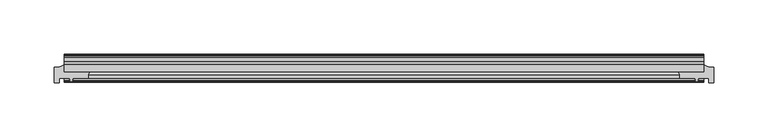
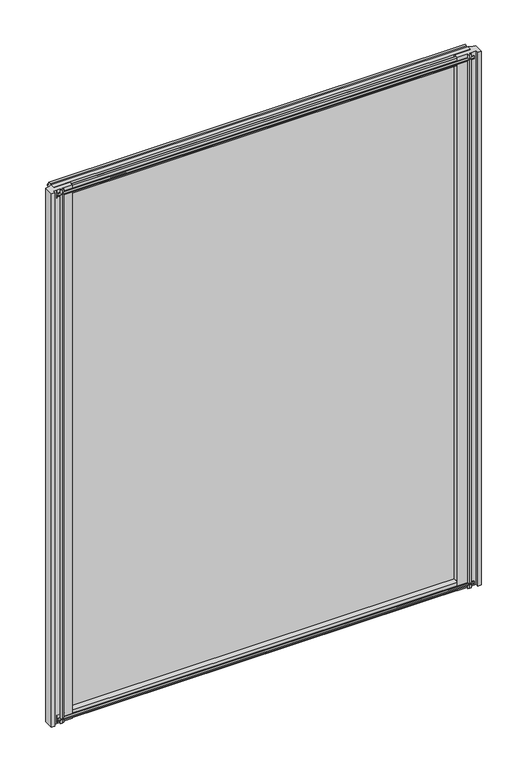
"""IFC4 building model written with IfcOpenShell, lengths in millimetres: plate geometry."""

from ifc_helpers import new_model, si_unit, point, frame, frame_2d, origin, place, context, project, spatial, polyline, circle_curve, trimmed, segment, composite_curve, outline, extrude, source, transform, mapped, element, save


def plate_5a63b6f4(model_context):
    return source(origin(), model_context, "Body", "SweptSolid", [
        extrude(outline(polyline([(-295.275, -19.5460937), (295.275, -19.5460937), (295.275, -25.8960937), (-295.275, -25.8960937), (-295.275, -19.5460937)])), frame((0.0, 0.0, -12.7), z_axis=(0.0, 0.0, 1.0), x_axis=(1.0, 0.0, 0.0)), (0.0, 0.0, 1.0), 800.1),
        extrude(outline(composite_curve([segment(polyline([(304.8, -22.0782211), (304.8, -36.1501817), (300.0248, -36.1501817), (300.0248, -32.2460937), (290.1992854, -32.2460937), (289.8817854, -34.3506957), (291.1003913, -34.0241712), (291.3041854, -34.7847412), (288.9292854, -35.4210937), (286.5543854, -34.7847412), (286.7581795, -34.0241712), (287.9767854, -34.3506957), (287.6592854, -32.2460937), (273.0508541, -32.2460937)]), True, "CONTINUOUS"), segment(trimmed(circle_curve(frame_2d((264.2454241, -30.493422)), 8.9781654), [point((273.0508541, -32.2460937))], [point((271.9572351, -25.8960937))], True, "CARTESIAN"), True, "CONTINUOUS"), segment(polyline([(271.9572351, -25.8960937), (295.2792854, -25.8960937), (295.2792854, -19.5460937)]), True, "CONTINUOUS"), segment(trimmed(circle_curve(frame_2d((304.8, -2.913372)), 19.164849), [point((295.2792854, -19.5460937))], [point((304.8, -22.0782211))], True, "CARTESIAN"), True, "CONTINUOUS")], self_intersect=False)), frame((0.0, 0.0, -12.7), z_axis=(0.0, 0.0, 1.0), x_axis=(1.0, 0.0, 0.0)), (0.0, 0.0, 1.0), 800.1),
        extrude(outline(composite_curve([segment(trimmed(circle_curve(frame_2d((-304.8, -2.913372)), 19.164849), [point((-304.8, -22.0782211))], [point((-295.2792854, -19.5460937))], True, "CARTESIAN"), True, "CONTINUOUS"), segment(polyline([(-295.2792854, -19.5460937), (-295.2792854, -25.8960937), (-271.9572351, -25.8960937)]), True, "CONTINUOUS"), segment(trimmed(circle_curve(frame_2d((-264.2454241, -30.493422)), 8.9781654), [point((-271.9572351, -25.8960937))], [point((-273.0508541, -32.2460937))], True, "CARTESIAN"), True, "CONTINUOUS"), segment(polyline([(-273.0508541, -32.2460937), (-287.6592854, -32.2460937), (-287.9767854, -34.3506957), (-286.7581795, -34.0241712), (-286.5543854, -34.7847412), (-288.9292854, -35.4210937), (-291.3041854, -34.7847412), (-291.1003913, -34.0241712), (-289.8817854, -34.3506957), (-290.1992854, -32.2460937), (-300.0248, -32.2460937), (-300.0248, -36.1501817), (-304.8, -36.1501817), (-304.8, -22.0782211)]), True, "CONTINUOUS")], self_intersect=False)), frame((0.0, 0.0, -12.7), z_axis=(0.0, 0.0, 1.0), x_axis=(1.0, 0.0, 0.0)), (0.0, 0.0, 1.0), 800.1),
        extrude(outline(polyline([(-13.1960937, 787.1587), (-13.1960937, 782.7137), (-10.8158968, 782.3327), (-11.27583, 783.748229), (-10.4746158, 783.748229), (-9.7670937, 781.5707), (-10.4746158, 779.3931709), (-11.27583, 779.3931709), (-10.8158968, 780.8087), (-13.1960937, 780.4277), (-13.1960937, 775.2207), (-19.5460937, 773.1154229), (-19.5460937, 784.9460038), (-16.1424937, 787.1587), (-13.1960937, 787.1587)])), frame((-295.275, 0.0, 0.0), z_axis=(1.0, 0.0, 0.0), x_axis=(0.0, 1.0, 0.0)), (0.0, 0.0, 1.0), 590.55),
        extrude(outline(polyline([(-29.2996937, 786.638), (-25.8960937, 784.4253038), (-25.8960937, 772.5947229), (-32.2460937, 774.7), (-32.2460937, 779.907), (-34.6262907, 780.288), (-34.1663575, 778.8724709), (-34.9675717, 778.8724709), (-35.6750937, 781.05), (-34.9675717, 783.2275291), (-34.1663575, 783.2275291), (-34.6262907, 781.812), (-32.2460937, 782.193), (-32.2460937, 786.638), (-29.2996937, 786.638)])), frame((-295.275, 0.0, 0.0), z_axis=(1.0, 0.0, 0.0), x_axis=(0.0, 1.0, 0.0)), (0.0, 0.0, 1.0), 590.55),
        extrude(outline(polyline([(-25.8960937, 2.1052771), (-25.8960937, -9.7253038), (-29.2996937, -11.938), (-32.2460937, -11.938), (-32.2460937, -7.493), (-34.6262907, -7.112), (-34.1663575, -8.5275291), (-34.9675717, -8.5275291), (-35.6750937, -6.35), (-34.9675717, -4.1724709), (-34.1663575, -4.1724709), (-34.6262907, -5.588), (-32.2460937, -5.207), (-32.2460937, 0.0), (-25.8960937, 2.1052771)])), frame((-295.275, 0.0, 0.0), z_axis=(1.0, 0.0, 0.0), x_axis=(0.0, 1.0, 0.0)), (0.0, 0.0, 1.0), 590.55),
        extrude(outline(polyline([(-19.5460937, 1.5845771), (-13.1960937, -0.5207), (-13.1960937, -5.7277), (-10.8158968, -6.1087), (-11.27583, -4.6931709), (-10.4746158, -4.6931709), (-9.7670937, -6.8707), (-10.4746158, -9.048229), (-11.27583, -9.048229), (-10.8158968, -7.6327), (-13.1960937, -8.0137), (-13.1960937, -12.4587), (-16.1424937, -12.4587), (-19.5460937, -10.2460038), (-19.5460937, 1.5845771)])), frame((-295.275, 0.0, 0.0), z_axis=(1.0, 0.0, 0.0), x_axis=(0.0, 1.0, 0.0)), (0.0, 0.0, 1.0), 590.55),
    ])


if __name__ == "__main__":
    model = new_model("IFC4")
    model_context = context("Model", 3, world=origin())
    ifc_project = project(units=[si_unit("LENGTHUNIT", "METRE", prefix="MILLI")], contexts=[model_context])
    site = spatial("IfcSite", under=ifc_project)
    building = spatial("IfcBuilding", under=site)
    placement = place(None, origin())
    plate_shape = plate_5a63b6f4(model_context)
    element("IfcPlate", 1, at=placement, inside=building, context=model_context, shape_type="MappedRepresentation", body=[
        mapped(plate_shape, transform((0.0, 0.0, 0.0), x_axis=(1.0, 0.0, 0.0), y_axis=(0.0, 1.0, 0.0), z_axis=(0.0, 0.0, 1.0))),
    ])
    save(model, "model.ifc")
